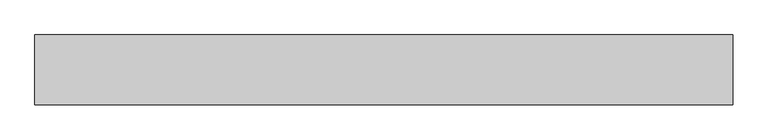
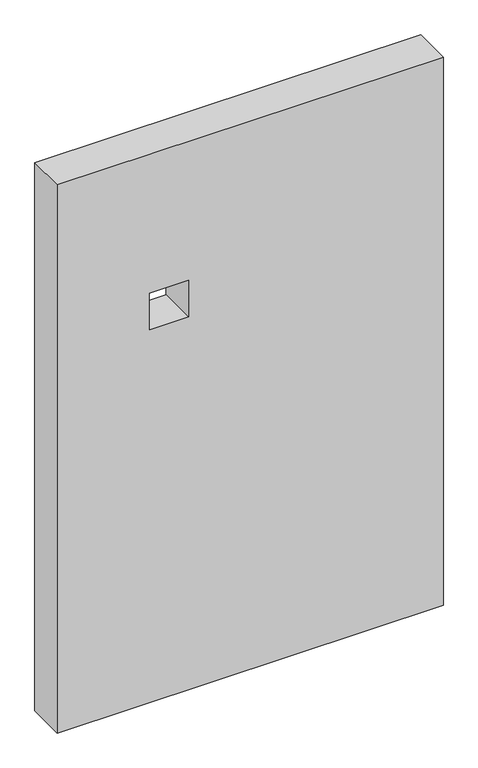
"""IFC4 building model written with IfcOpenShell, lengths in millimetres: proxy geometry."""

from ifc_helpers import new_model, si_unit, frame, origin, place, context, project, spatial, polyline, outline, extrude, source, transform, mapped, element, save


def generic_models_247c5262(model_context):
    return source(origin(), model_context, "Body", "SweptSolid", [
        extrude(outline(polyline([(1500.0, 1000.0), (1500.0, 0.0), (0.0, 0.0), (0.0, 1000.0), (1500.0, 1000.0)]), holes=[polyline([(1120.0, 240.0), (1120.0, 340.0), (1020.0, 340.0), (1020.0, 240.0), (1120.0, 240.0)])]), frame((0.0, 0.0, 0.0), z_axis=(0.0, 1.0, 0.0), x_axis=(0.0, 0.0, 1.0)), (0.0, 0.0, 1.0), 100.0),
    ])


if __name__ == "__main__":
    model = new_model("IFC4")
    model_context = context("Model", 3, world=origin())
    ifc_project = project(units=[si_unit("LENGTHUNIT", "METRE", prefix="MILLI")], contexts=[model_context])
    site = spatial("IfcSite", under=ifc_project)
    building = spatial("IfcBuilding", under=site)
    placement = place(None, origin())
    generic_models_shape = generic_models_247c5262(model_context)
    element("IfcBuildingElementProxy", 1, Name="Generic Models", at=placement, inside=building, context=model_context, shape_type="MappedRepresentation", body=[
        mapped(generic_models_shape, transform((0.0, 0.0, 0.0), x_axis=(1.0, 0.0, 0.0), y_axis=(0.0, 1.0, 0.0), z_axis=(0.0, 0.0, 1.0))),
    ])
    save(model, "model.ifc")
